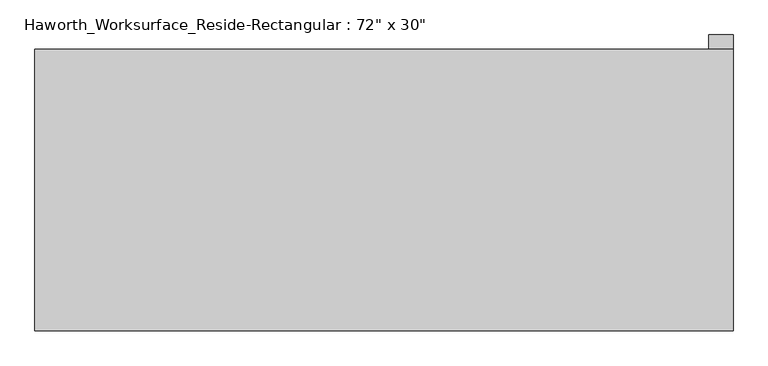
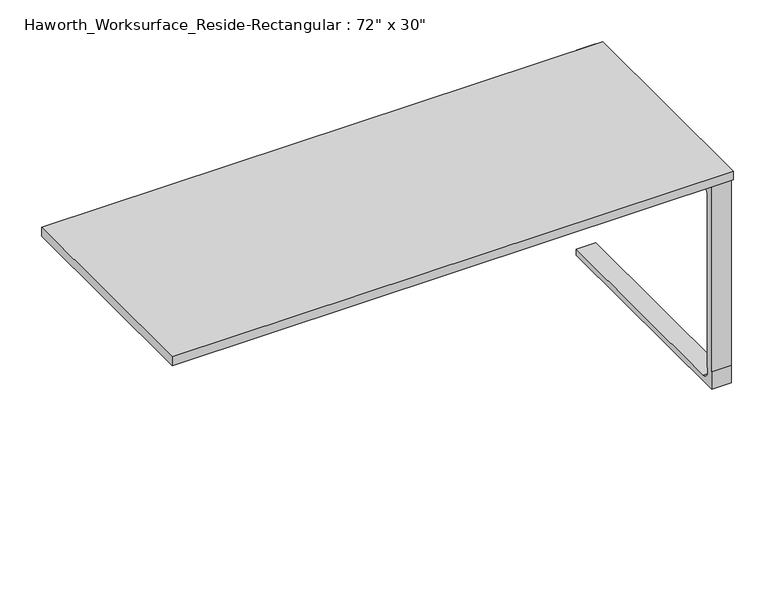
"""IFC4 building model written with IfcOpenShell, lengths in millimetres: furniture geometry."""

from ifc_helpers import new_model, si_unit, point, frame, frame_2d, origin, place, context, project, spatial, polyline, circle_curve, trimmed, segment, composite_curve, outline, extrude, source, transform, mapped, element, save


def furniture_f10ffb7f(model_context):
    return source(origin(), model_context, "Body", "SweptSolid", [
        extrude(outline(composite_curve([segment(polyline([(-333.375, 61.9125), (-334.9625, 61.9125), (-334.9625, 46.0375)]), True, "CONTINUOUS"), segment(trimmed(circle_curve(frame_2d((-309.5625, 46.0375)), 25.4), [point((-334.9625, 46.0375))], [point((-309.5625, 20.6375))], True, "CARTESIAN"), True, "CONTINUOUS"), segment(polyline([(-309.5625, 20.6375), (406.4, 20.6375), (406.4, 0.0), (-357.1875, 0.0), (-357.1875, 61.9125), (-358.775, 61.9125), (-358.775, 706.4375), (406.4, 706.4375), (406.4, 676.275), (-307.975, 676.275)]), True, "CONTINUOUS"), segment(trimmed(circle_curve(frame_2d((-307.975, 650.875)), 25.4), [point((-307.975, 676.275))], [point((-333.375, 650.875))], True, "CARTESIAN"), True, "CONTINUOUS"), segment(polyline([(-333.375, 650.875), (-333.375, 61.9125)]), True, "CONTINUOUS")], self_intersect=False)), frame((850.9, 0.0, 0.0), z_axis=(1.0, 0.0, 0.0), x_axis=(0.0, 1.0, 0.0)), (0.0, 0.0, 1.0), 63.5),
        extrude(outline(polyline([(914.4, 368.3), (914.4, -368.3), (-914.4, -368.3), (-914.4, 368.3), (914.4, 368.3)])), frame((0.0, 0.0, 706.4375), z_axis=(0.0, 0.0, 1.0), x_axis=(1.0, 0.0, 0.0)), (0.0, 0.0, 1.0), 30.1625),
    ])


if __name__ == "__main__":
    model = new_model("IFC4")
    model_context = context("Model", 3, world=origin())
    ifc_project = project(units=[si_unit("LENGTHUNIT", "METRE", prefix="MILLI")], contexts=[model_context])
    site = spatial("IfcSite", under=ifc_project)
    building = spatial("IfcBuilding", under=site)
    placement = place(None, origin())
    furniture_shape = furniture_f10ffb7f(model_context)
    element("IfcFurniture", 1, ObjectType="Haworth_Worksurface_Reside-Rectangular : 72\" x 30\"", at=placement, inside=building, context=model_context, shape_type="MappedRepresentation", body=[
        mapped(furniture_shape, transform((0.0, 0.0, 0.0), x_axis=(1.0, 0.0, 0.0), y_axis=(0.0, 1.0, 0.0), z_axis=(0.0, 0.0, 1.0))),
    ])
    save(model, "model.ifc")
